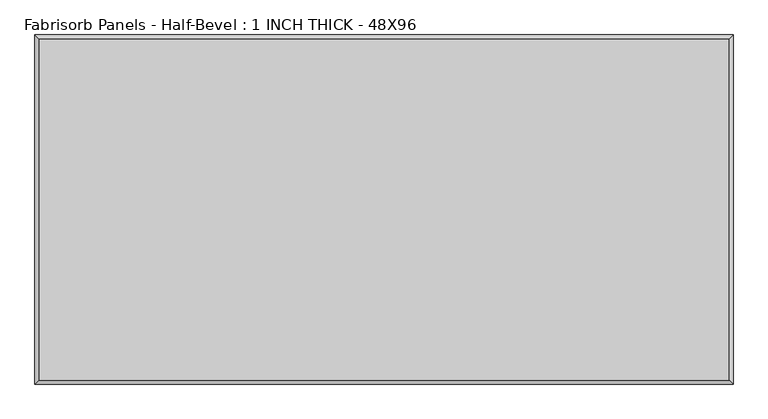
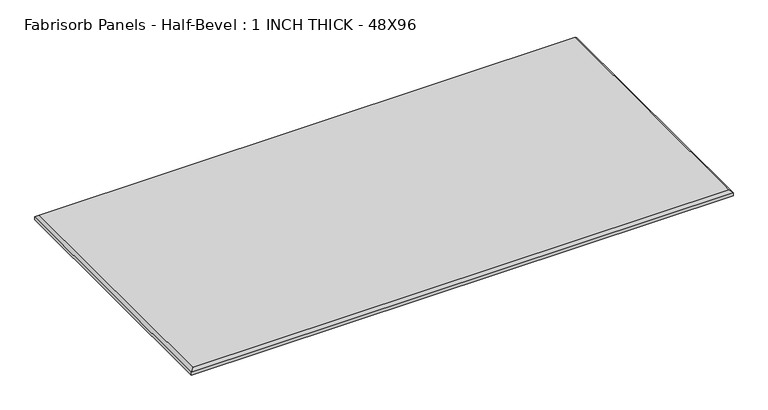
"""IFC4 building model written with IfcOpenShell, lengths in millimetres: proxy geometry, Fabrisorb Panels - Half-Bevel : 1 INCH THICK - 48X96."""

from ifc_helpers import new_model, si_unit, origin, place, context, project, spatial, faceted_brep, source, transform, mapped, element, save


def fabrisorb_panels_half_bevel_1_inch_thick_48x96_364664a6(model_context):
    return source(origin(), model_context, "Body", "Brep", [
        faceted_brep([(1206.5, 596.9, 25.4), (-1206.5, 596.9, 25.4), (-1206.5, -596.9, 25.4), (1206.5, -596.9, 25.4), (-1219.2, 609.6, 0.0), (1219.2, 609.6, 0.0), (1219.2, -609.6, 0.0), (-1219.2, -609.6, 0.0), (-1219.2, -609.6, 12.7), (-1219.2, 609.6, 12.7), (1219.2, -609.6, 12.7), (1219.2, 609.6, 12.7)], [[[0, 1, 2, 3]], [[4, 5, 6, 7]], [[4, 7, 8, 9]], [[7, 6, 10, 8]], [[6, 5, 11, 10]], [[5, 4, 9, 11]], [[9, 1, 0, 11]], [[1, 9, 8, 2]], [[2, 8, 10, 3]], [[11, 0, 3, 10]]]),
    ])


if __name__ == "__main__":
    model = new_model("IFC4")
    model_context = context("Model", 3, world=origin())
    ifc_project = project(units=[si_unit("LENGTHUNIT", "METRE", prefix="MILLI")], contexts=[model_context])
    site = spatial("IfcSite", under=ifc_project)
    building = spatial("IfcBuilding", under=site)
    placement = place(None, origin())
    fabrisorb_panels_half_bevel_1_inch_thick_48x96_shape = fabrisorb_panels_half_bevel_1_inch_thick_48x96_364664a6(model_context)
    element("IfcBuildingElementProxy", 1, Name="Fabrisorb Panels - Half-Bevel : 1 INCH THICK - 48X96", ObjectType="Fabrisorb Panels - Half-Bevel : 1 INCH THICK - 48X96", at=placement, inside=building, context=model_context, shape_type="MappedRepresentation", body=[
        mapped(fabrisorb_panels_half_bevel_1_inch_thick_48x96_shape, transform((0.0, 0.0, 0.0), x_axis=(1.0, 0.0, 0.0), y_axis=(0.0, 1.0, 0.0), z_axis=(0.0, 0.0, 1.0))),
    ])
    save(model, "model.ifc")
